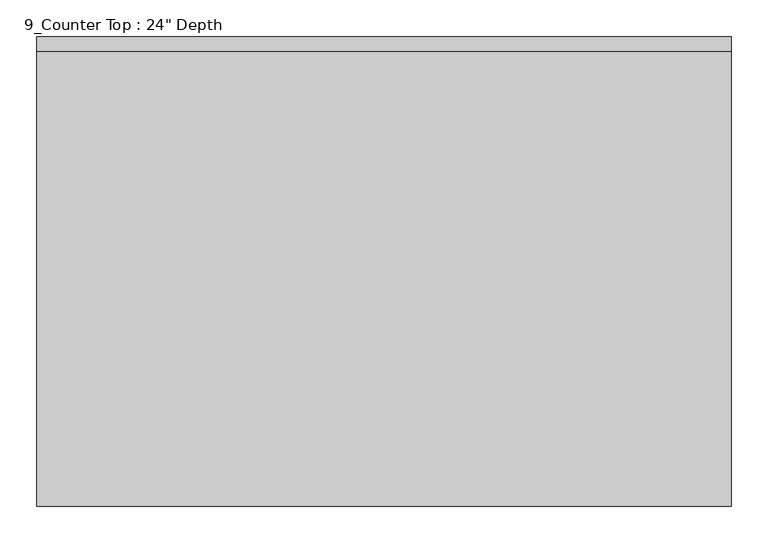
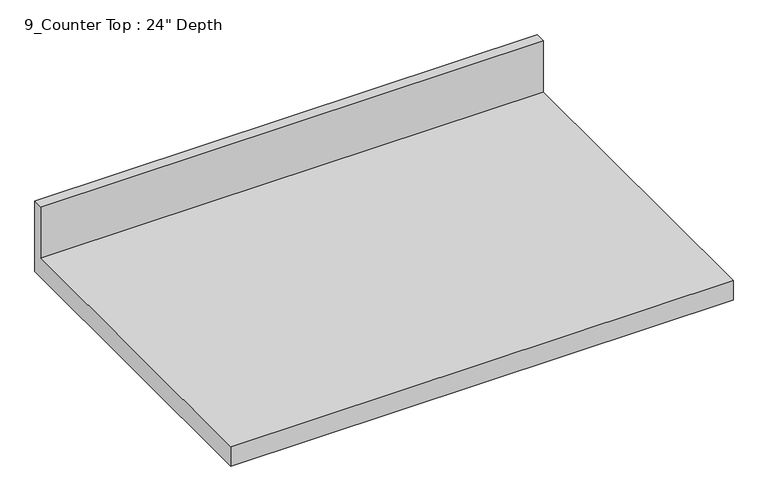
"""IFC4 building model written with IfcOpenShell, lengths in millimetres: furniture geometry."""

from ifc_helpers import new_model, si_unit, frame, origin, place, context, project, spatial, polyline, outline, extrude, source, transform, mapped, element, save


def furniture_5ab782c6(model_context):
    return source(origin(), model_context, "Body", "SweptSolid", [
        extrude(outline(polyline([(0.0, 1016.0), (0.0, 876.3), (-635.0, 876.3), (-635.0, 914.4), (-19.05, 914.4), (-19.05, 1016.0), (0.0, 1016.0)])), frame((-1200.4622951, 0.0, 0.0), z_axis=(1.0, 0.0, 0.0), x_axis=(0.0, 1.0, 0.0)), (0.0, 0.0, 1.0), 939.6883978),
    ])


if __name__ == "__main__":
    model = new_model("IFC4")
    model_context = context("Model", 3, world=origin())
    ifc_project = project(units=[si_unit("LENGTHUNIT", "METRE", prefix="MILLI")], contexts=[model_context])
    site = spatial("IfcSite", under=ifc_project)
    building = spatial("IfcBuilding", under=site)
    placement = place(None, origin())
    furniture_shape = furniture_5ab782c6(model_context)
    element("IfcFurniture", 1, ObjectType="9_Counter Top : 24\" Depth", at=placement, inside=building, context=model_context, shape_type="MappedRepresentation", body=[
        mapped(furniture_shape, transform((0.0, 0.0, 0.0), x_axis=(1.0, 0.0, 0.0), y_axis=(0.0, 1.0, 0.0), z_axis=(0.0, 0.0, 1.0))),
    ])
    save(model, "model.ifc")
